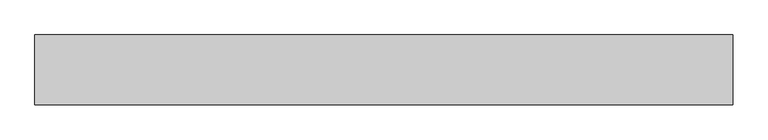
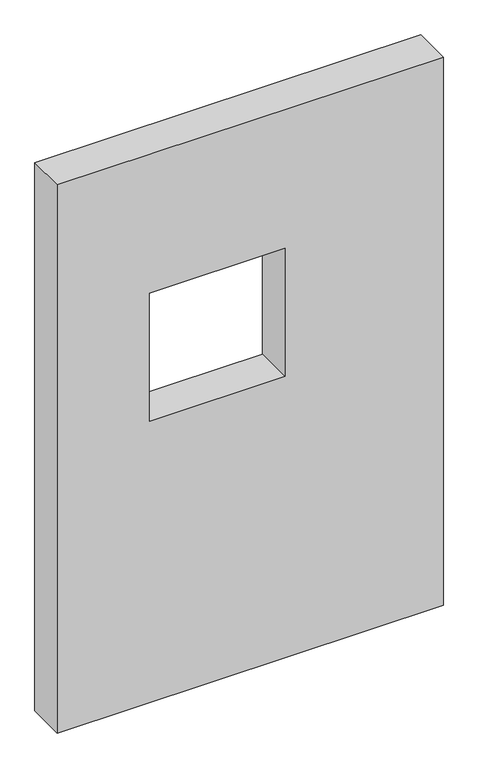
"""IFC4 building model written with IfcOpenShell, lengths in millimetres: proxy geometry."""

from ifc_helpers import new_model, si_unit, frame, origin, place, context, project, spatial, polyline, outline, extrude, source, transform, mapped, element, save


def generic_models_cf74c5da(model_context):
    return source(origin(), model_context, "Body", "SweptSolid", [
        extrude(outline(polyline([(1500.0, 1000.0), (1500.0, 0.0), (0.0, 0.0), (0.0, 1000.0), (1500.0, 1000.0)]), holes=[polyline([(1120.0, 240.0), (1120.0, 590.0), (770.0, 590.0), (770.0, 240.0), (1120.0, 240.0)])]), frame((0.0, 0.0, 0.0), z_axis=(0.0, 1.0, 0.0), x_axis=(0.0, 0.0, 1.0)), (0.0, 0.0, 1.0), 100.0),
    ])


if __name__ == "__main__":
    model = new_model("IFC4")
    model_context = context("Model", 3, world=origin())
    ifc_project = project(units=[si_unit("LENGTHUNIT", "METRE", prefix="MILLI")], contexts=[model_context])
    site = spatial("IfcSite", under=ifc_project)
    building = spatial("IfcBuilding", under=site)
    placement = place(None, origin())
    generic_models_shape = generic_models_cf74c5da(model_context)
    element("IfcBuildingElementProxy", 1, Name="Generic Models", at=placement, inside=building, context=model_context, shape_type="MappedRepresentation", body=[
        mapped(generic_models_shape, transform((0.0, 0.0, 0.0), x_axis=(1.0, 0.0, 0.0), y_axis=(0.0, 1.0, 0.0), z_axis=(0.0, 0.0, 1.0))),
    ])
    save(model, "model.ifc")
